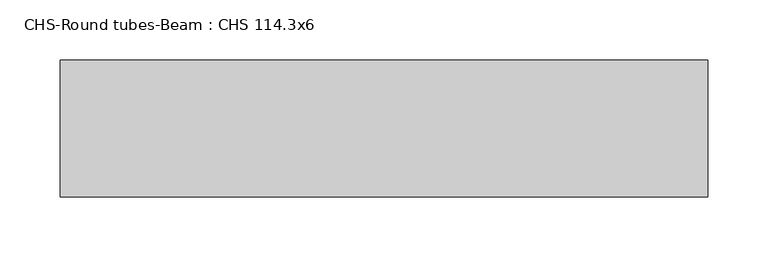
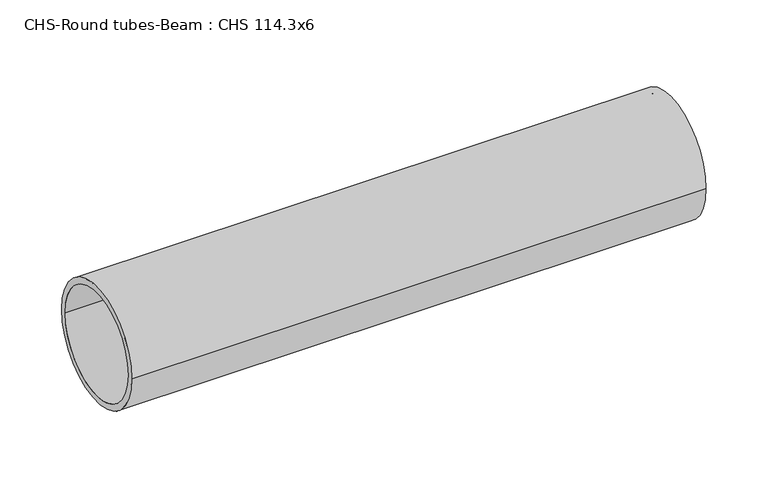
"""IFC4 building model written with IfcOpenShell, lengths in millimetres: beam geometry, CHS-Round tubes-Beam : CHS 114.3x6."""

from ifc_helpers import new_model, si_unit, point, frame, origin, origin_2d, place, context, project, spatial, circle_curve, trimmed, segment, composite_curve, outline, extrude, source, transform, mapped, element, save


def chs_round_tubes_beam_chs_114_3x6_c461937b(model_context):
    return source(origin(), model_context, "Body", "SweptSolid", [
        extrude(outline(composite_curve([segment(trimmed(circle_curve(origin_2d(), 57.15), [point((57.15, 0.0))], [point((-57.15, 0.0))], False, "CARTESIAN"), True, "CONTINUOUS"), segment(trimmed(circle_curve(origin_2d(), 57.15), [point((-57.15, 0.0))], [point((57.15, 0.0))], False, "CARTESIAN"), True, "CONTINUOUS")], self_intersect=False), holes=[composite_curve([segment(trimmed(circle_curve(origin_2d(), 51.15), [point((51.15, 0.0))], [point((-51.15, 0.0))], True, "CARTESIAN"), True, "CONTINUOUS"), segment(trimmed(circle_curve(origin_2d(), 51.15), [point((-51.15, 0.0))], [point((51.15, 0.0))], True, "CARTESIAN"), True, "CONTINUOUS")], self_intersect=False)]), frame((-239.1589254, 0.0, 0.0), z_axis=(1.0, 0.0, 0.0), x_axis=(0.0, 1.0, 0.0)), (0.0, 0.0, 1.0), 539.278797),
    ])


if __name__ == "__main__":
    model = new_model("IFC4")
    model_context = context("Model", 3, world=origin())
    ifc_project = project(units=[si_unit("LENGTHUNIT", "METRE", prefix="MILLI")], contexts=[model_context])
    site = spatial("IfcSite", under=ifc_project)
    building = spatial("IfcBuilding", under=site)
    placement = place(None, origin())
    chs_round_tubes_beam_chs_114_3x6_shape = chs_round_tubes_beam_chs_114_3x6_c461937b(model_context)
    element("IfcBeam", 1, ObjectType="CHS-Round tubes-Beam : CHS 114.3x6", at=placement, inside=building, context=model_context, shape_type="MappedRepresentation", body=[
        mapped(chs_round_tubes_beam_chs_114_3x6_shape, transform((0.0, 0.0, 0.0), x_axis=(1.0, 0.0, 0.0), y_axis=(0.0, 1.0, 0.0), z_axis=(0.0, 0.0, 1.0))),
    ])
    save(model, "model.ifc")
